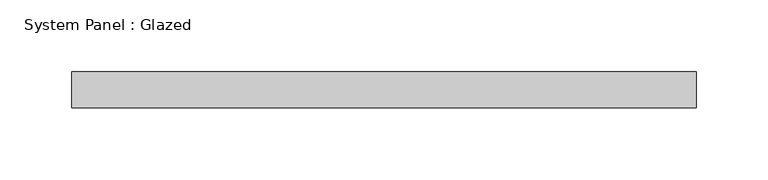
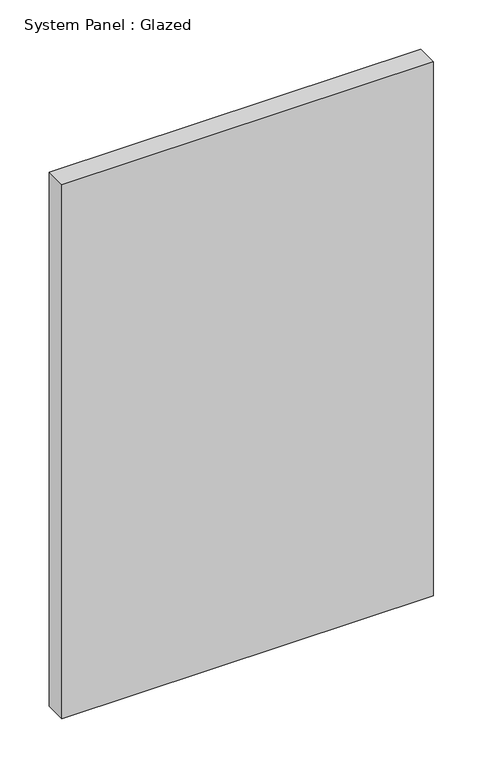
"""IFC4 building model written with IfcOpenShell, lengths in millimetres: plate geometry, System Panel : Glazed."""

from ifc_helpers import new_model, si_unit, origin, origin_with_axes, place, context, project, spatial, polyline, outline, extrude, source, transform, mapped, element, save


def system_panel_glazed_d1c81294(model_context):
    return source(origin(), model_context, "Body", "SweptSolid", [
        extrude(outline(polyline([(218.25, -44.45), (-218.25, -44.45), (-218.25, -19.05), (218.25, -19.05), (218.25, -44.45)])), origin_with_axes(), (0.0, 0.0, 1.0), 663.0),
    ])


if __name__ == "__main__":
    model = new_model("IFC4")
    model_context = context("Model", 3, world=origin())
    ifc_project = project(units=[si_unit("LENGTHUNIT", "METRE", prefix="MILLI")], contexts=[model_context])
    site = spatial("IfcSite", under=ifc_project)
    building = spatial("IfcBuilding", under=site)
    placement = place(None, origin())
    system_panel_glazed_shape = system_panel_glazed_d1c81294(model_context)
    element("IfcPlate", 1, ObjectType="System Panel : Glazed", at=placement, inside=building, context=model_context, shape_type="MappedRepresentation", body=[
        mapped(system_panel_glazed_shape, transform((0.0, 0.0, 0.0), x_axis=(1.0, 0.0, 0.0), y_axis=(0.0, 1.0, 0.0), z_axis=(0.0, 0.0, 1.0))),
    ])
    save(model, "model.ifc")
